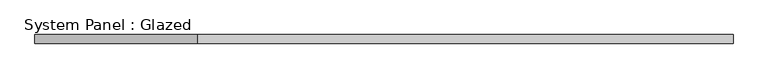
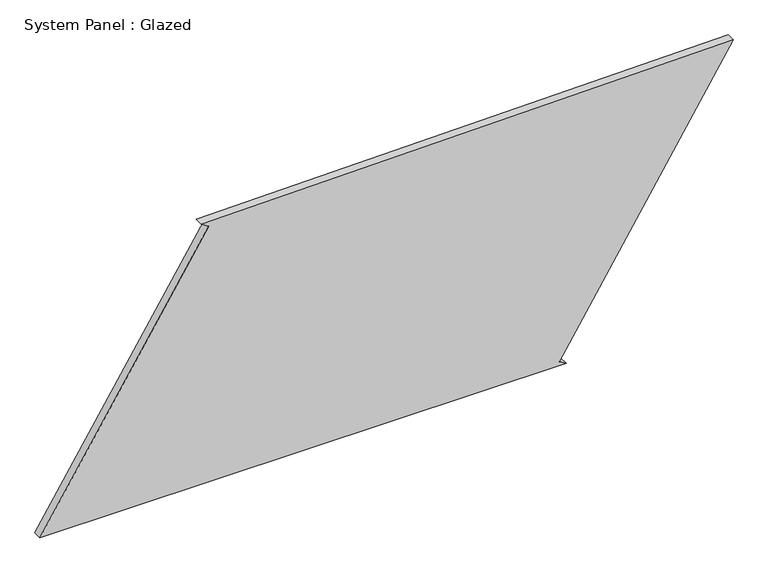
"""IFC4 building model written with IfcOpenShell, lengths in millimetres: plate geometry, System Panel : Glazed."""

import ifcopenshell
import ifcopenshell.guid

model = None  # the IFC model being written
_history = None  # IfcOwnerHistory: only IFC2X3 demands one
_inside = {}  # id of a spatial element -> (the spatial element, [elements in it])
_under = {}  # id of a project, library or spatial element -> (it, [spatial elements below it])
_declared = {}  # id of a project -> (the project, [libraries it declares])
_typed = {}  # id of a type object -> (the type object, [elements of that type])
_made_of = {}  # id of a material, layer set ... -> (it, [elements and type objects made of it])


def new_model(schema):
    """Start an empty IFC model of exactly this schema.

    Asked for "IFC4X3", IfcOpenShell would pick the latest addendum, in which some entities
    have other attributes; the version numbers below select the first issue.
    IFC2X3 requires an IfcOwnerHistory on every rooted entity: one is made here for all.
    """
    global model, _history
    if schema == "IFC4X3":
        model = ifcopenshell.file(schema_version=(4, 3, 0, 0))
    else:
        model = ifcopenshell.file(schema=schema)
    _inside.clear()
    _under.clear()
    _declared.clear()
    _typed.clear()
    _made_of.clear()
    _history = None
    if model.schema == "IFC2X3":
        org = make("IfcOrganization", Name="unknown")
        user = make(
            "IfcPersonAndOrganization",
            ThePerson=make("IfcPerson", FamilyName="unknown"),
            TheOrganization=org,
        )
        app = make(
            "IfcApplication",
            ApplicationDeveloper=org,
            Version="unknown",
            ApplicationFullName="unknown",
            ApplicationIdentifier="unknown",
        )
        _history = make(
            "IfcOwnerHistory",
            OwningUser=user,
            OwningApplication=app,
            ChangeAction="ADDED",
            CreationDate=0,
        )
    return model


def make(cls, **values):
    """One entity of the class cls with the attributes given. An attribute that is None is left unset."""
    return model.create_entity(
        cls, **{name: value for name, value in values.items() if value is not None}
    )


def rooted(cls, **values):
    """An entity with a GlobalId (a new one), such as an element, a storey or a relation."""
    return make(cls, GlobalId=ifcopenshell.guid.new(), OwnerHistory=_history, **values)


def si_unit(unit_type, name, prefix=None):
    """IfcSIUnit, for example si_unit("LENGTHUNIT", "METRE", prefix="MILLI")."""
    return make("IfcSIUnit", UnitType=unit_type, Prefix=prefix, Name=name)


def assignment(units):
    """IfcUnitAssignment: the units of a project."""
    return None if units is None else make("IfcUnitAssignment", Units=units)


def point(xyz):
    """IfcCartesianPoint."""
    return None if xyz is None else make("IfcCartesianPoint", Coordinates=xyz)


def direction(xyz):
    """IfcDirection."""
    return None if xyz is None else make("IfcDirection", DirectionRatios=xyz)


def frame(location, z_axis=None, x_axis=None):
    """IfcAxis2Placement3D, a coordinate frame: its origin and axes. An axis left out is left unset."""
    return make(
        "IfcAxis2Placement3D",
        Location=point(location),
        Axis=direction(z_axis),
        RefDirection=direction(x_axis),
    )


def origin():
    """The frame at (0, 0, 0) with its axes left unset."""
    return frame((0.0, 0.0, 0.0))


def place(relative_to, where):
    """IfcLocalPlacement: puts the frame where relative to a parent placement (None: the world)."""
    return make(
        "IfcLocalPlacement", PlacementRelTo=relative_to, RelativePlacement=where
    )


def context(
    kind, dimensions, precision=None, world=None, true_north=None, identifier=None
):
    """IfcGeometricRepresentationContext, for example the 3D "Model" context."""
    return make(
        "IfcGeometricRepresentationContext",
        ContextIdentifier=identifier,
        ContextType=kind,
        CoordinateSpaceDimension=dimensions,
        Precision=precision,
        WorldCoordinateSystem=world,
        TrueNorth=true_north,
    )


def project(units=None, contexts=None):
    """IfcProject with its units and contexts."""
    return rooted(
        "IfcProject",
        Name="project",
        RepresentationContexts=contexts,
        UnitsInContext=assignment(units),
    )


def spatial(cls, under=None, at=None, **own):
    """A site, building, storey or space (cls), placed at a placement, below another one or the project."""
    s = rooted(cls, ObjectPlacement=at, **own)
    if under is not None:
        _under.setdefault(under.id(), (under, []))[1].append(s)
    return s


def polyline(points):
    """IfcPolyline through the points."""
    return make("IfcPolyline", Points=[point(p) for p in points])


def outline(outer, holes=None, kind="AREA"):
    """IfcArbitraryClosedProfileDef: a profile drawn as a closed curve; with holes, ...WithVoids."""
    if holes is None:
        return make("IfcArbitraryClosedProfileDef", ProfileType=kind, OuterCurve=outer)
    return make(
        "IfcArbitraryProfileDefWithVoids",
        ProfileType=kind,
        OuterCurve=outer,
        InnerCurves=holes,
    )


def extrude(swept, where, along, depth):
    """IfcExtrudedAreaSolid: the profile swept, set in the frame where, extruded along a direction by depth."""
    return make(
        "IfcExtrudedAreaSolid",
        SweptArea=swept,
        Position=where,
        ExtrudedDirection=direction(along),
        Depth=depth,
    )


def shape(context_of_items, identifier, shape_type, items):
    """IfcShapeRepresentation: the items that make up one representation, for example the "Body"."""
    return make(
        "IfcShapeRepresentation",
        ContextOfItems=context_of_items,
        RepresentationIdentifier=identifier,
        RepresentationType=shape_type,
        Items=items,
    )


def source(mapping_origin, context_of_items, identifier, shape_type, items):
    """IfcRepresentationMap: a shape defined once, which mapped items show again and again."""
    return make(
        "IfcRepresentationMap",
        MappingOrigin=mapping_origin,
        MappedRepresentation=shape(context_of_items, identifier, shape_type, items),
    )


def transform(
    local_origin,
    x_axis=None,
    y_axis=None,
    z_axis=None,
    scale=None,
    scale2=None,
    scale3=None,
    uniform=True,
):
    """IfcCartesianTransformationOperator3D, or its non-uniform kind. x_axis, y_axis, z_axis: its Axis1, 2, 3."""
    if uniform:
        return make(
            "IfcCartesianTransformationOperator3D",
            Axis1=direction(x_axis),
            Axis2=direction(y_axis),
            LocalOrigin=point(local_origin),
            Scale=scale,
            Axis3=direction(z_axis),
        )
    return make(
        "IfcCartesianTransformationOperator3DnonUniform",
        Axis1=direction(x_axis),
        Axis2=direction(y_axis),
        LocalOrigin=point(local_origin),
        Scale=scale,
        Axis3=direction(z_axis),
        Scale2=scale2,
        Scale3=scale3,
    )


def mapped(mapping_source, mapping_target):
    """IfcMappedItem: shows the shape of a source again, moved by a transform."""
    return make(
        "IfcMappedItem", MappingSource=mapping_source, MappingTarget=mapping_target
    )


def made_of(thing, what):
    """Note that an element or type object is made of a material, layer set ...; save() writes the relation."""
    if what is not None:
        _made_of.setdefault(what.id(), (what, []))[1].append(thing)
    return thing


def element(
    cls,
    number,
    at=None,
    inside=None,
    cuts=None,
    type_object=None,
    material=None,
    context=None,
    identifier="Body",
    shape_type=None,
    held_by="IfcProductDefinitionShape",
    body=None,
    shapes=None,
    **own,
):
    """One element of the class cls, such as IfcWall. Its Tag is "e" and its number.

    at: its placement. inside: the storey or other place that contains it. cuts: it is an
    opening in that element (IfcRelVoidsElement). A single representation is given by context,
    identifier, shape_type and body (its items); several are given by shapes. held_by: the class
    of the entity that holds the representations. save() writes the other relations.
    """
    e = rooted(cls, Tag="e%d" % number, ObjectPlacement=at, **own)
    if body is not None:
        shapes = [shape(context, identifier, shape_type, body)]
    if shapes is not None:
        e.Representation = make(held_by, Representations=shapes)
    if inside is not None:
        _inside.setdefault(inside.id(), (inside, []))[1].append(e)
    if cuts is not None:
        rooted(
            "IfcRelVoidsElement", RelatingBuildingElement=cuts, RelatedOpeningElement=e
        )
    if type_object is not None:
        _typed.setdefault(type_object.id(), (type_object, []))[1].append(e)
    return made_of(e, material)


def aggregate(whole, parts):
    """IfcRelAggregates: a whole, such as a stair, and the parts it consists of."""
    return rooted("IfcRelAggregates", RelatingObject=whole, RelatedObjects=parts)


def save(model, path):
    """Write the relations noted so far, then the file.

    IfcRelAggregates (storeys below a building ...), IfcRelContainedInSpatialStructure (elements
    in a storey), IfcRelDefinesByType, IfcRelAssociatesMaterial and IfcRelDeclares: one each for
    every whole, place, type object, material and project.
    """
    for whole, parts in _under.values():
        aggregate(whole, parts)
    for where, things in _inside.values():
        rooted(
            "IfcRelContainedInSpatialStructure",
            RelatedElements=things,
            RelatingStructure=where,
        )
    for kind, things in _typed.values():
        rooted("IfcRelDefinesByType", RelatedObjects=things, RelatingType=kind)
    for what, things in _made_of.values():
        rooted("IfcRelAssociatesMaterial", RelatedObjects=things, RelatingMaterial=what)
    for by, libraries in _declared.values():
        rooted("IfcRelDeclares", RelatingContext=by, RelatedDefinitions=libraries)
    model.write(path)


def system_panel_glazed_daa73e2a(model_context):
    return source(origin(), model_context, "Body", "SweptSolid", [
        extrude(outline(polyline([(0.0, -1013.628226), (0.0, 525.8257192), (13.2246731, 504.6099698), (829.8198142, 1013.628226), (803.8140743, -541.2442471), (790.5741062, -520.0380394), (0.0, -1013.628226)])), frame((0.0, -49.5, 0.0), z_axis=(0.0, 1.0, 0.0), x_axis=(0.0, 0.0, 1.0)), (0.0, 0.0, 1.0), 25.0),
    ])


if __name__ == "__main__":
    model = new_model("IFC4")
    model_context = context("Model", 3, world=origin())
    ifc_project = project(units=[si_unit("LENGTHUNIT", "METRE", prefix="MILLI")], contexts=[model_context])
    site = spatial("IfcSite", under=ifc_project)
    building = spatial("IfcBuilding", under=site)
    placement = place(None, origin())
    system_panel_glazed_shape = system_panel_glazed_daa73e2a(model_context)
    element("IfcPlate", 1, ObjectType="System Panel : Glazed", at=placement, inside=building, context=model_context, shape_type="MappedRepresentation", body=[
        mapped(system_panel_glazed_shape, transform((0.0, 0.0, 0.0), x_axis=(1.0, 0.0, 0.0), y_axis=(0.0, 1.0, 0.0), z_axis=(0.0, 0.0, 1.0))),
    ])
    save(model, "model.ifc")
